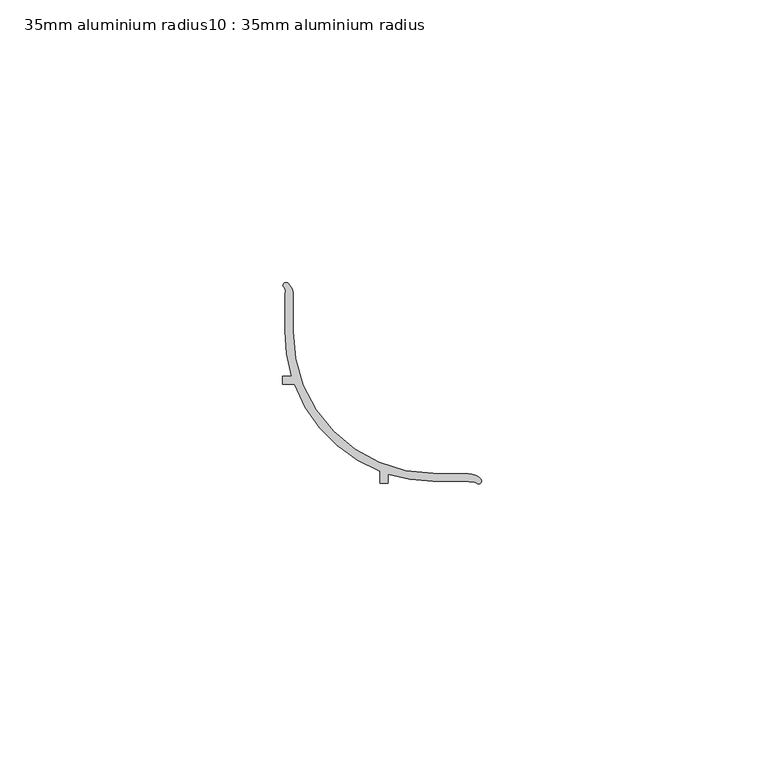
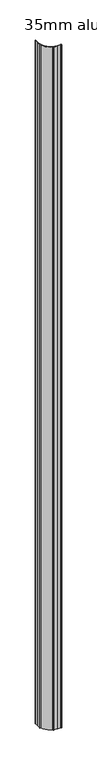
"""IFC4 building model written with IfcOpenShell, lengths in millimetres: proxy geometry, 35mm aluminium radius10 : 35mm aluminium radius."""

from ifc_helpers import new_model, si_unit, point, frame, frame_2d, origin, place, context, project, spatial, polyline, circle_curve, trimmed, segment, composite_curve, outline, extrude, source, transform, mapped, element, save


def proxy_35mm_aluminium_radius10_35mm_aluminium_radius_e5878a60(model_context):
    return source(origin(), model_context, "Body", "SweptSolid", [
        extrude(outline(composite_curve([segment(trimmed(circle_curve(frame_2d((-4755.0723837, 992.6710192)), 0.5), [point((-4755.4415715, 992.3338244))], [point((-4754.7230909, 993.0287825))], False, "CARTESIAN"), True, "CONTINUOUS"), segment(trimmed(circle_curve(frame_2d((-4756.785987, 990.8506044)), 3.0), [point((-4754.7230909, 993.0287825))], [point((-4753.7860702, 990.8282648))], False, "CARTESIAN"), True, "CONTINUOUS"), segment(polyline([(-4753.7860702, 990.8282648), (-4753.8327366, 984.5615633)]), True, "CONTINUOUS"), segment(trimmed(circle_curve(frame_2d((-4728.8334297, 984.3754002)), 25.0), [point((-4753.8327366, 984.5615633))], [point((-4729.0195929, 959.3760933))], True, "CARTESIAN"), True, "CONTINUOUS"), segment(polyline([(-4729.0195929, 959.3760933), (-4722.7528914, 959.3294269)]), True, "CONTINUOUS"), segment(trimmed(circle_curve(frame_2d((-4722.775231, 956.3295101)), 3.0), [point((-4722.7528914, 959.3294269))], [point((-4720.5542735, 958.3462767))], False, "CARTESIAN"), True, "CONTINUOUS"), segment(trimmed(circle_curve(frame_2d((-4720.929498, 958.0158125)), 0.5), [point((-4720.5542735, 958.3462767))], [point((-4721.2721536, 957.6516873))], False, "CARTESIAN"), True, "CONTINUOUS"), segment(trimmed(circle_curve(frame_2d((-4722.510947, 955.0760555)), 2.8580567), [point((-4721.2721536, 957.6516873))], [point((-4722.6839019, 957.9288743))], True, "CARTESIAN"), True, "CONTINUOUS"), segment(polyline([(-4722.6839019, 957.9288743), (-4729.030018, 957.9761321)]), True, "CONTINUOUS"), segment(trimmed(circle_curve(frame_2d((-4728.8334297, 984.3754002)), 26.4), [point((-4729.030018, 957.9761321))], [point((-4737.0205528, 959.2769736))], False, "CARTESIAN"), True, "CONTINUOUS"), segment(polyline([(-4737.0205528, 959.2769736), (-4737.0327748, 957.6357154), (-4738.432736, 957.6461406), (-4738.4168736, 959.7762619)]), True, "CONTINUOUS"), segment(trimmed(circle_curve(frame_2d((-4728.8334297, 984.3754002)), 26.4), [point((-4738.4168736, 959.7762619))], [point((-4753.5725627, 975.1593653))], False, "CARTESIAN"), True, "CONTINUOUS"), segment(polyline([(-4753.5725627, 975.1593653), (-4755.702684, 975.1752277), (-4755.6922589, 976.5751889), (-4754.0510007, 976.5629669)]), True, "CONTINUOUS"), segment(trimmed(circle_curve(frame_2d((-4728.8334297, 984.3754002)), 26.4), [point((-4754.0510007, 976.5629669))], [point((-4755.2326978, 984.5719885))], False, "CARTESIAN"), True, "CONTINUOUS"), segment(polyline([(-4755.2326978, 984.5719885), (-4755.1827431, 991.2802522)]), True, "CONTINUOUS"), segment(trimmed(circle_curve(frame_2d((-4756.356293, 991.5505282)), 1.2042709), [point((-4755.1827431, 991.2802522))], [point((-4755.4415715, 992.3338244))], True, "CARTESIAN"), True, "CONTINUOUS")], self_intersect=False)), frame((0.0, 0.0, -99.1508636), z_axis=(0.0, 0.0, 1.0), x_axis=(1.0, 0.0, 0.0)), (0.0, 0.0, 1.0), 1500.0),
    ])


if __name__ == "__main__":
    model = new_model("IFC4")
    model_context = context("Model", 3, world=origin())
    ifc_project = project(units=[si_unit("LENGTHUNIT", "METRE", prefix="MILLI")], contexts=[model_context])
    site = spatial("IfcSite", under=ifc_project)
    building = spatial("IfcBuilding", under=site)
    placement = place(None, origin())
    proxy_35mm_aluminium_radius10_35mm_aluminium_radius_shape = proxy_35mm_aluminium_radius10_35mm_aluminium_radius_e5878a60(model_context)
    element("IfcBuildingElementProxy", 1, Name="35mm aluminium radius10 : 35mm aluminium radius", ObjectType="35mm aluminium radius10 : 35mm aluminium radius", at=placement, inside=building, context=model_context, shape_type="MappedRepresentation", body=[
        mapped(proxy_35mm_aluminium_radius10_35mm_aluminium_radius_shape, transform((0.0, 0.0, 0.0), x_axis=(1.0, 0.0, 0.0), y_axis=(0.0, 1.0, 0.0), z_axis=(0.0, 0.0, 1.0))),
    ])
    save(model, "model.ifc")
